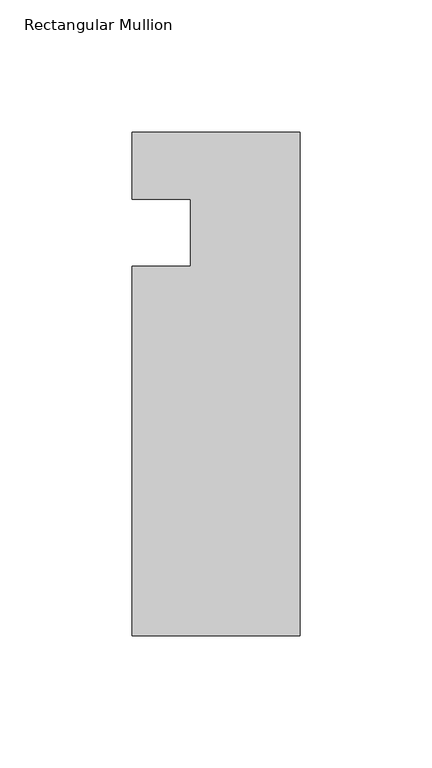
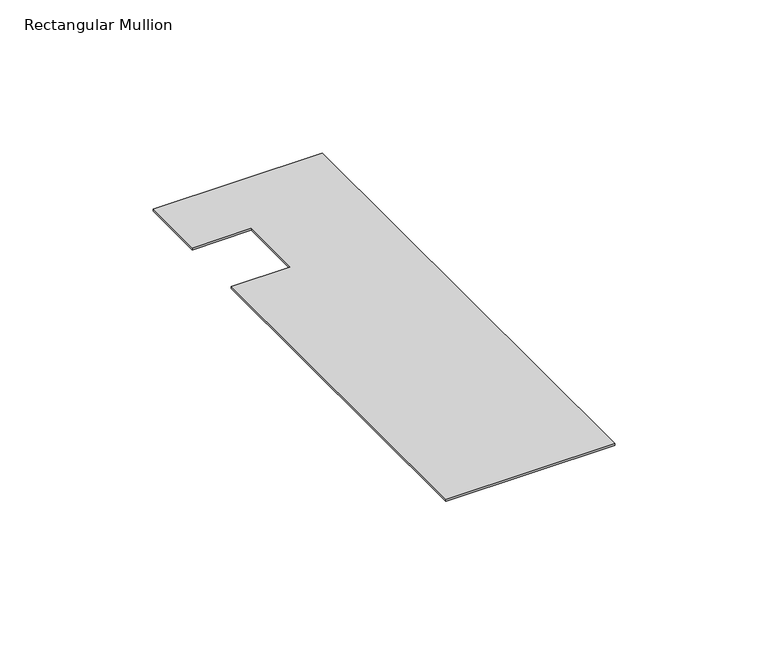
"""IFC4 building model written with IfcOpenShell, lengths in millimetres: member geometry, Rectangular Mullion."""

from ifc_helpers import new_model, si_unit, frame, origin, place, context, project, spatial, polyline, outline, extrude, source, transform, mapped, element, save


def rectangular_mullion_d08946b1(model_context):
    return source(origin(), model_context, "Body", "SweptSolid", [
        extrude(outline(polyline([(-63.5, -152.399995), (-63.5, -12.7), (-41.2751132, -12.7), (-41.2751132, 12.7296373), (-63.5, 12.7296373), (-63.5, 38.1), (0.0, 38.1), (0.0, -152.399995), (-63.5, -152.399995)])), frame((0.0, 0.0, -0.7941147), z_axis=(0.0, 0.0, 1.0), x_axis=(1.0, 0.0, 0.0)), (0.0, 0.0, 1.0), 0.7941147),
    ])


if __name__ == "__main__":
    model = new_model("IFC4")
    model_context = context("Model", 3, world=origin())
    ifc_project = project(units=[si_unit("LENGTHUNIT", "METRE", prefix="MILLI")], contexts=[model_context])
    site = spatial("IfcSite", under=ifc_project)
    building = spatial("IfcBuilding", under=site)
    placement = place(None, origin())
    rectangular_mullion_shape = rectangular_mullion_d08946b1(model_context)
    element("IfcMember", 1, ObjectType="Rectangular Mullion", at=placement, inside=building, context=model_context, shape_type="MappedRepresentation", body=[
        mapped(rectangular_mullion_shape, transform((0.0, 0.0, 0.0), x_axis=(1.0, 0.0, 0.0), y_axis=(0.0, 1.0, 0.0), z_axis=(0.0, 0.0, 1.0))),
    ])
    save(model, "model.ifc")
